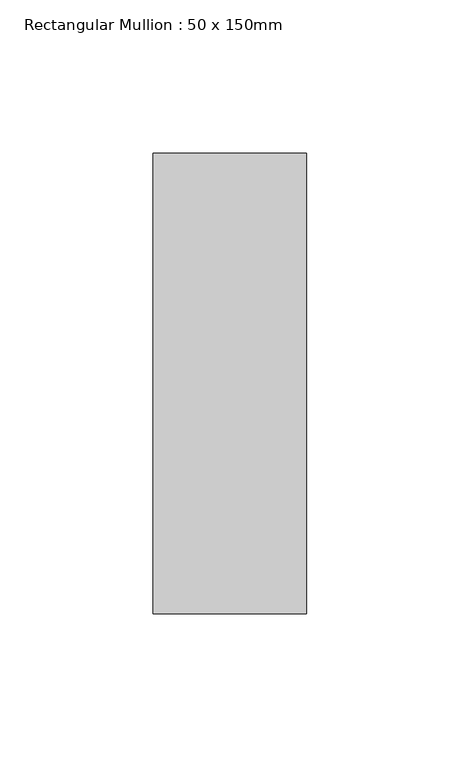
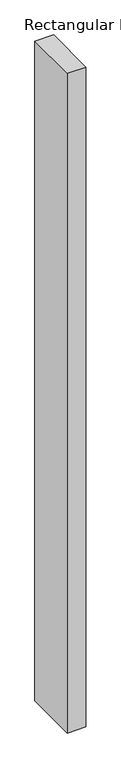
"""IFC4 building model written with IfcOpenShell, lengths in millimetres: member geometry, Rectangular Mullion : 50 x 150mm."""

from ifc_helpers import new_model, si_unit, frame, origin, place, context, project, spatial, polyline, outline, extrude, source, transform, mapped, element, save


def rectangular_mullion_50_x_150mm_5a32ba9d(model_context):
    return source(origin(), model_context, "Body", "SweptSolid", [
        extrude(outline(polyline([(25.0, 75.0), (25.0, -75.0), (-25.0, -75.0), (-25.0, 75.0), (25.0, 75.0)])), frame((0.0, 0.0, -1866.6666667), z_axis=(0.0, 0.0, 1.0), x_axis=(1.0, 0.0, 0.0)), (0.0, 0.0, 1.0), 1866.6666667),
    ])


if __name__ == "__main__":
    model = new_model("IFC4")
    model_context = context("Model", 3, world=origin())
    ifc_project = project(units=[si_unit("LENGTHUNIT", "METRE", prefix="MILLI")], contexts=[model_context])
    site = spatial("IfcSite", under=ifc_project)
    building = spatial("IfcBuilding", under=site)
    placement = place(None, origin())
    rectangular_mullion_50_x_150mm_shape = rectangular_mullion_50_x_150mm_5a32ba9d(model_context)
    element("IfcMember", 1, ObjectType="Rectangular Mullion : 50 x 150mm", at=placement, inside=building, context=model_context, shape_type="MappedRepresentation", body=[
        mapped(rectangular_mullion_50_x_150mm_shape, transform((0.0, 0.0, 0.0), x_axis=(1.0, 0.0, 0.0), y_axis=(0.0, 1.0, 0.0), z_axis=(0.0, 0.0, 1.0))),
    ])
    save(model, "model.ifc")
